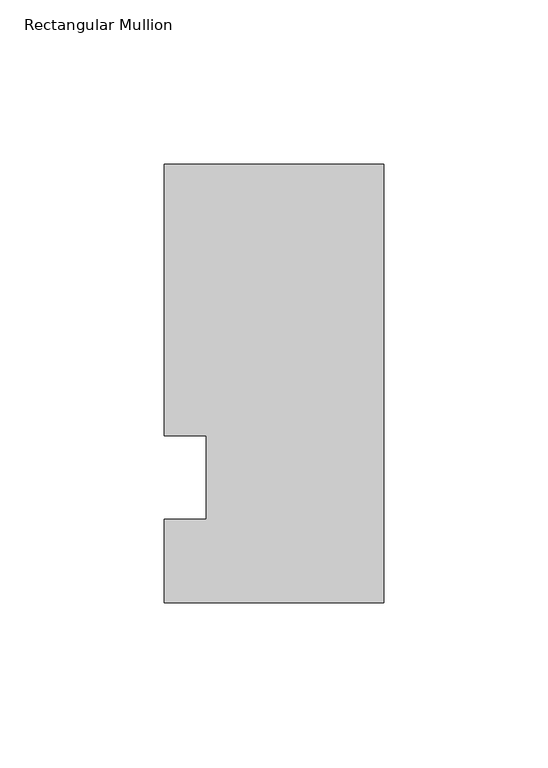
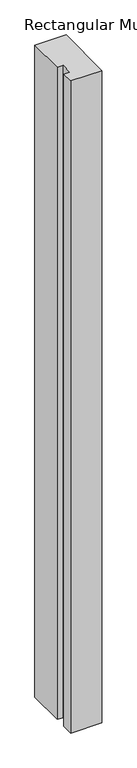
"""IFC4 building model written with IfcOpenShell, lengths in millimetres: member geometry, Rectangular Mullion."""

from ifc_helpers import new_model, si_unit, frame, origin, place, context, project, spatial, polyline, outline, extrude, source, transform, mapped, element, save


def rectangular_mullion_dc53e920(model_context):
    return source(origin(), model_context, "Body", "SweptSolid", [
        extrude(outline(polyline([(-66.675, 95.25), (0.0, 95.25), (0.0, -38.1), (-66.675, -38.1), (-66.675, -12.7), (-53.9732296, -12.7), (-53.9732296, 12.7), (-66.675, 12.7), (-66.675, 95.25)])), frame((0.0, 0.0, -1478.28), z_axis=(0.0, 0.0, 1.0), x_axis=(1.0, 0.0, 0.0)), (0.0, 0.0, 1.0), 1478.28),
    ])


if __name__ == "__main__":
    model = new_model("IFC4")
    model_context = context("Model", 3, world=origin())
    ifc_project = project(units=[si_unit("LENGTHUNIT", "METRE", prefix="MILLI")], contexts=[model_context])
    site = spatial("IfcSite", under=ifc_project)
    building = spatial("IfcBuilding", under=site)
    placement = place(None, origin())
    rectangular_mullion_shape = rectangular_mullion_dc53e920(model_context)
    element("IfcMember", 1, ObjectType="Rectangular Mullion", at=placement, inside=building, context=model_context, shape_type="MappedRepresentation", body=[
        mapped(rectangular_mullion_shape, transform((0.0, 0.0, 0.0), x_axis=(1.0, 0.0, 0.0), y_axis=(0.0, 1.0, 0.0), z_axis=(0.0, 0.0, 1.0))),
    ])
    save(model, "model.ifc")
